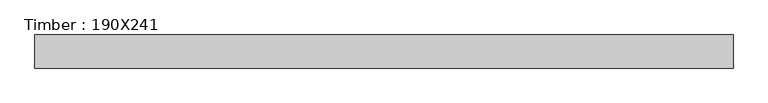
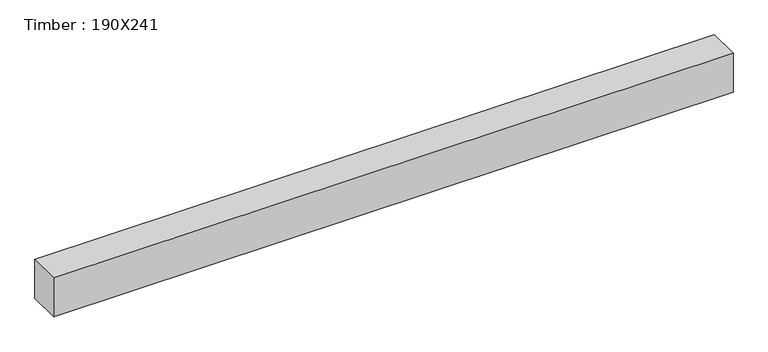
"""IFC4 building model written with IfcOpenShell, lengths in millimetres: beam geometry, Timber : 190X241."""

from ifc_helpers import new_model, si_unit, frame, origin, place, context, project, spatial, polyline, outline, extrude, source, transform, mapped, element, save


def timber_190x241_ae63584e(model_context):
    return source(origin(), model_context, "Body", "SweptSolid", [
        extrude(outline(polyline([(2084.0, 95.0), (2084.0, -95.0), (-1921.0, -95.0), (-1921.0, 95.0), (2084.0, 95.0)])), frame((0.0, 0.0, -120.5), z_axis=(0.0, 0.0, 1.0), x_axis=(1.0, 0.0, 0.0)), (0.0, 0.0, 1.0), 241.0),
    ])


if __name__ == "__main__":
    model = new_model("IFC4")
    model_context = context("Model", 3, world=origin())
    ifc_project = project(units=[si_unit("LENGTHUNIT", "METRE", prefix="MILLI")], contexts=[model_context])
    site = spatial("IfcSite", under=ifc_project)
    building = spatial("IfcBuilding", under=site)
    placement = place(None, origin())
    timber_190x241_shape = timber_190x241_ae63584e(model_context)
    element("IfcBeam", 1, ObjectType="Timber : 190X241", at=placement, inside=building, context=model_context, shape_type="MappedRepresentation", body=[
        mapped(timber_190x241_shape, transform((0.0, 0.0, 0.0), x_axis=(1.0, 0.0, 0.0), y_axis=(0.0, 1.0, 0.0), z_axis=(0.0, 0.0, 1.0))),
    ])
    save(model, "model.ifc")
